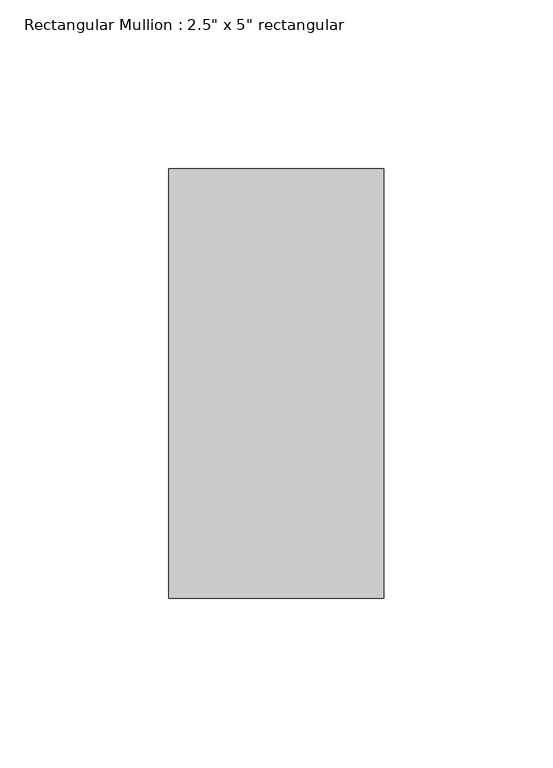
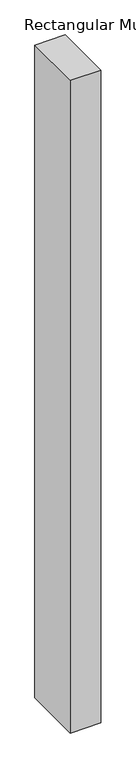
"""IFC4 building model written with IfcOpenShell, lengths in millimetres: member geometry."""

from ifc_helpers import new_model, si_unit, frame, origin, place, context, project, spatial, polyline, outline, extrude, source, transform, mapped, element, save


def member_42829155(model_context):
    return source(origin(), model_context, "Body", "SweptSolid", [
        extrude(outline(polyline([(0.0, 63.5), (0.0, -63.5), (-63.5, -63.5), (-63.5, 63.5), (0.0, 63.5)])), frame((0.0, 0.0, -1432.9833333), z_axis=(0.0, 0.0, 1.0), x_axis=(1.0, 0.0, 0.0)), (0.0, 0.0, 1.0), 1432.9833333),
    ])


if __name__ == "__main__":
    model = new_model("IFC4")
    model_context = context("Model", 3, world=origin())
    ifc_project = project(units=[si_unit("LENGTHUNIT", "METRE", prefix="MILLI")], contexts=[model_context])
    site = spatial("IfcSite", under=ifc_project)
    building = spatial("IfcBuilding", under=site)
    placement = place(None, origin())
    member_shape = member_42829155(model_context)
    element("IfcMember", 1, ObjectType="Rectangular Mullion : 2.5\" x 5\" rectangular", at=placement, inside=building, context=model_context, shape_type="MappedRepresentation", body=[
        mapped(member_shape, transform((0.0, 0.0, 0.0), x_axis=(1.0, 0.0, 0.0), y_axis=(0.0, 1.0, 0.0), z_axis=(0.0, 0.0, 1.0))),
    ])
    save(model, "model.ifc")
